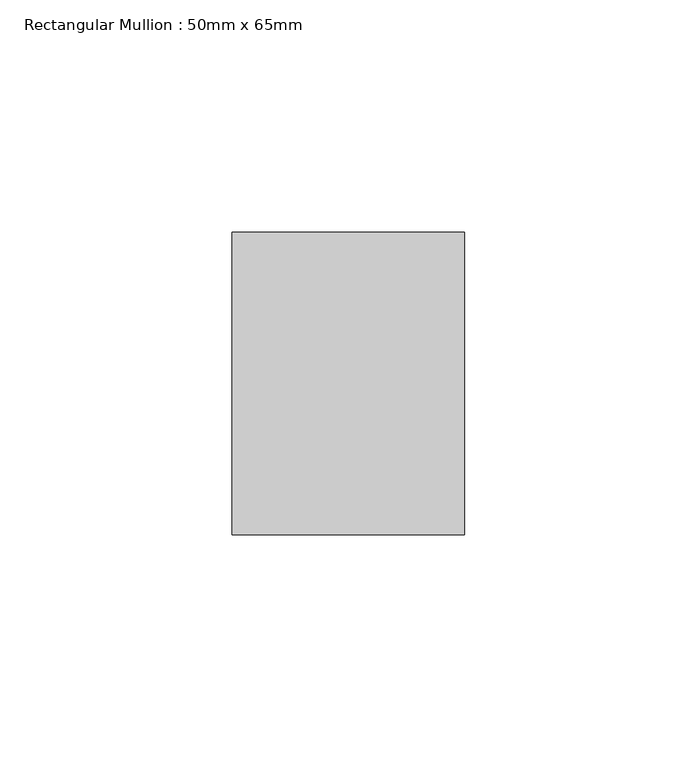
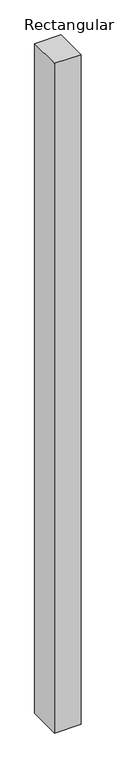
"""IFC4 building model written with IfcOpenShell, lengths in millimetres: member geometry, Rectangular Mullion : 50mm x 65mm."""

from ifc_helpers import new_model, si_unit, frame, origin, place, context, project, spatial, polyline, outline, extrude, source, transform, mapped, element, save


def rectangular_mullion_50mm_x_65mm_abf1158e(model_context):
    return source(origin(), model_context, "Body", "SweptSolid", [
        extrude(outline(polyline([(25.0, 32.5), (25.0, -32.5), (-25.0, -32.5), (-25.0, 32.5), (25.0, 32.5)])), frame((0.0, 0.0, -1337.4792622), z_axis=(0.0, 0.0, 1.0), x_axis=(1.0, 0.0, 0.0)), (0.0, 0.0, 1.0), 1337.4792622),
    ])


if __name__ == "__main__":
    model = new_model("IFC4")
    model_context = context("Model", 3, world=origin())
    ifc_project = project(units=[si_unit("LENGTHUNIT", "METRE", prefix="MILLI")], contexts=[model_context])
    site = spatial("IfcSite", under=ifc_project)
    building = spatial("IfcBuilding", under=site)
    placement = place(None, origin())
    rectangular_mullion_50mm_x_65mm_shape = rectangular_mullion_50mm_x_65mm_abf1158e(model_context)
    element("IfcMember", 1, ObjectType="Rectangular Mullion : 50mm x 65mm", at=placement, inside=building, context=model_context, shape_type="MappedRepresentation", body=[
        mapped(rectangular_mullion_50mm_x_65mm_shape, transform((0.0, 0.0, 0.0), x_axis=(1.0, 0.0, 0.0), y_axis=(0.0, 1.0, 0.0), z_axis=(0.0, 0.0, 1.0))),
    ])
    save(model, "model.ifc")
